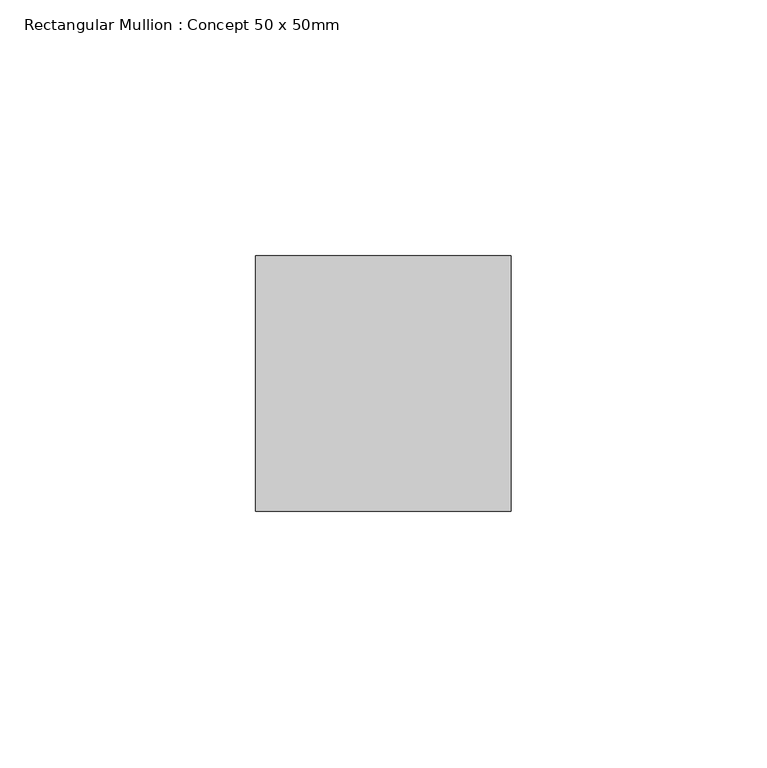
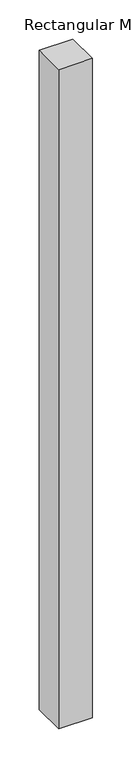
"""IFC4 building model written with IfcOpenShell, lengths in millimetres: member geometry, Rectangular Mullion : Concept 50 x 50mm."""

from ifc_helpers import new_model, si_unit, frame, origin, place, context, project, spatial, polyline, outline, extrude, source, transform, mapped, element, save


def rectangular_mullion_concept_50_x_50mm_de23922e(model_context):
    return source(origin(), model_context, "Body", "SweptSolid", [
        extrude(outline(polyline([(0.0, 50.0), (0.0, 0.0), (-50.0, 0.0), (-50.0, 50.0), (0.0, 50.0)])), frame((0.0, 0.0, -1030.0), z_axis=(0.0, 0.0, 1.0), x_axis=(1.0, 0.0, 0.0)), (0.0, 0.0, 1.0), 1030.0),
    ])


if __name__ == "__main__":
    model = new_model("IFC4")
    model_context = context("Model", 3, world=origin())
    ifc_project = project(units=[si_unit("LENGTHUNIT", "METRE", prefix="MILLI")], contexts=[model_context])
    site = spatial("IfcSite", under=ifc_project)
    building = spatial("IfcBuilding", under=site)
    placement = place(None, origin())
    rectangular_mullion_concept_50_x_50mm_shape = rectangular_mullion_concept_50_x_50mm_de23922e(model_context)
    element("IfcMember", 1, ObjectType="Rectangular Mullion : Concept 50 x 50mm", at=placement, inside=building, context=model_context, shape_type="MappedRepresentation", body=[
        mapped(rectangular_mullion_concept_50_x_50mm_shape, transform((0.0, 0.0, 0.0), x_axis=(1.0, 0.0, 0.0), y_axis=(0.0, 1.0, 0.0), z_axis=(0.0, 0.0, 1.0))),
    ])
    save(model, "model.ifc")
